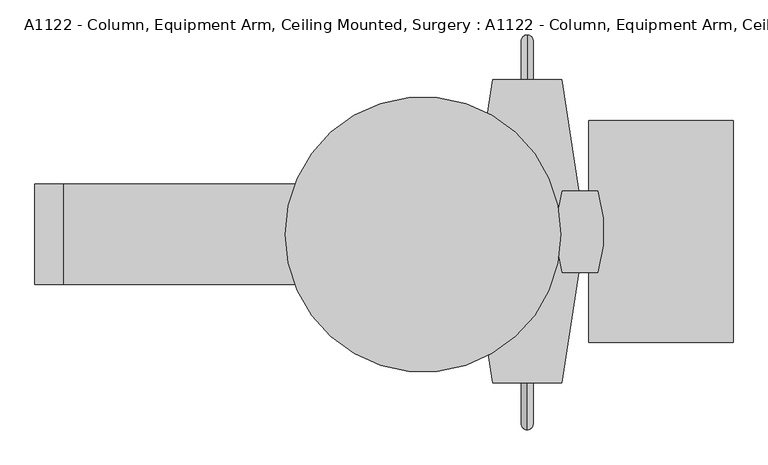
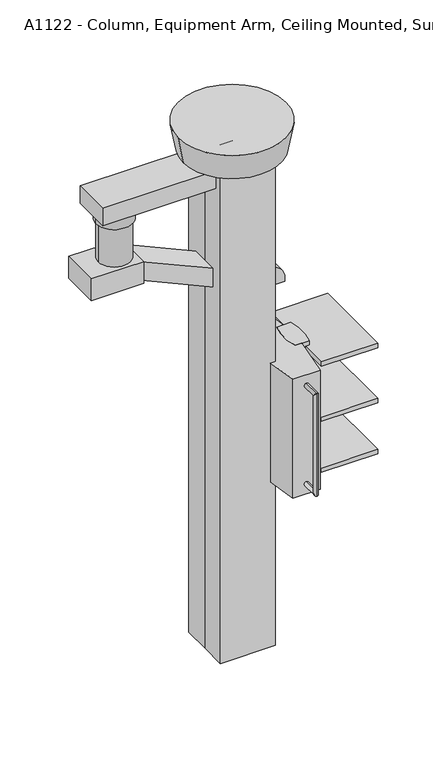
"""IFC4 building model written with IfcOpenShell, lengths in millimetres: proxy geometry, A1122 - Column, Equipment Arm, Ceiling Mounted, Surgery : A1122 - Column, Equipment Arm, Ceiling Mounted, Surgery."""

from ifc_helpers import new_model, si_unit, point, frame, frame_2d, origin, origin_2d, place, context, project, spatial, polyline, circle_curve, ellipse_curve, trimmed, segment, composite_curve, outline, extrude, source, transform, mapped, element, save
from ifc_brep_helpers import plane_surface, cylinder_surface, revolved_surface, advanced_brep


def a1122_column_equipment_arm_ceiling_mounted_surgery_a1122_2e717ac6(model_context):
    return source(origin(), model_context, "Body", "SolidModel", [
        advanced_brep(
        [(226.5729176, 332.7689207, 1898.9126507), (226.5729176, 332.7689207, 1924.3126507), (226.5729176, 434.3689207, 1924.3126507), (226.5729176, 408.9689207, 1898.9126507), (226.5729176, 434.3689207, 1321.0626507), (226.5729176, 408.9689207, 1346.4626507), (226.5729176, 332.7689207, 1346.4626507), (226.5729176, 332.7689207, 1321.0626507)],
        [
            (0, 1, circle_curve(frame((226.5729176, 332.7689207, 1911.6126507), z_axis=(0.0, -1.0, 0.0), x_axis=(0.0, 0.0, 1.0)), 12.7)),
            (1, 0, circle_curve(frame((226.5729176, 332.7689207, 1911.6126507), z_axis=(0.0, -1.0, 0.0), x_axis=(0.0, 0.0, 1.0)), 12.7)),
            (1, 2),
            (2, 3, ellipse_curve(frame((226.5729176, 421.6689207, 1911.6126507), z_axis=(0.0, -0.7071067811865475, 0.7071067811865475), x_axis=(0.0, -0.7071067811865476, -0.7071067811865474)), 17.9605122, 12.7)),
            (3, 0),
            (3, 2, ellipse_curve(frame((226.5729176, 421.6689207, 1911.6126507), z_axis=(0.0, -0.7071067811865475, 0.7071067811865475), x_axis=(0.0, -0.7071067811865476, -0.7071067811865474)), 17.9605122, 12.7)),
            (2, 4),
            (4, 5, ellipse_curve(frame((226.5729176, 421.6689207, 1333.7626507), z_axis=(0.0, 0.7071067811865475, 0.7071067811865475), x_axis=(0.0, -0.7071067811865474, 0.7071067811865476)), 17.9605122, 12.7)),
            (5, 3),
            (5, 4, ellipse_curve(frame((226.5729176, 421.6689207, 1333.7626507), z_axis=(0.0, 0.7071067811865475, 0.7071067811865475), x_axis=(0.0, -0.7071067811865474, 0.7071067811865476)), 17.9605122, 12.7)),
            (6, 7, circle_curve(frame((226.5729176, 332.7689207, 1333.7626507), z_axis=(0.0, -1.0, 0.0), x_axis=(0.0, 0.0, -1.0)), 12.7)),
            (7, 6, circle_curve(frame((226.5729176, 332.7689207, 1333.7626507), z_axis=(0.0, -1.0, 0.0), x_axis=(0.0, 0.0, -1.0)), 12.7)),
            (4, 7),
            (6, 5),
        ],
        [
            plane_surface(frame((2193.5406963, 332.7689207, 1911.6126507), z_axis=(0.0, -1.0, 0.0), x_axis=(1.0, 0.0, 0.0))),
            cylinder_surface(frame((226.5729176, 332.7689207, 1911.6126507), z_axis=(0.0, -1.0, 0.0), x_axis=(0.0, 0.0, 1.0)), 12.7),
            cylinder_surface(frame((226.5729176, 421.6689207, 1911.6126507), z_axis=(0.0, 0.0, 1.0), x_axis=(0.0, 1.0, 0.0)), 12.7),
            plane_surface(frame((2193.5406963, 332.7689207, 1333.7626507), z_axis=(0.0, -1.0, 0.0), x_axis=(1.0, 0.0, 0.0))),
            cylinder_surface(frame((226.5729176, 421.6689207, 1333.7626507), z_axis=(0.0, 1.0, 0.0), x_axis=(0.0, 0.0, -1.0)), 12.7),
        ],
        [
            (0, [[1, 2]]),
            (1, [[-2, 3, 4, 5]]),
            (1, [[-1, -5, 6, -3]]),
            (2, [[-4, 7, 8, 9]]),
            (2, [[-6, -9, 10, -7]]),
            (3, [[11, 12]]),
            (4, [[-8, 13, -11, 14]]),
            (4, [[-10, -14, -12, -13]]),
        ],
    ),
        advanced_brep(
        [(226.5729176, -323.7089058, 1924.3126507), (226.5729176, -323.7089058, 1898.9126507), (226.5729176, -425.3089058, 1924.3126507), (226.5729176, -399.9089058, 1898.9126507), (226.5729176, -425.3089058, 1321.0626507), (226.5729176, -399.9089058, 1346.4626507), (226.5729176, -323.7089058, 1321.0626507), (226.5729176, -323.7089058, 1346.4626507)],
        [
            (0, 1, circle_curve(frame((226.5729176, -323.7089058, 1911.6126507), z_axis=(0.0, 1.0, 0.0), x_axis=(0.0, 0.0, -1.0)), 12.7)),
            (1, 0, circle_curve(frame((226.5729176, -323.7089058, 1911.6126507), z_axis=(0.0, 1.0, 0.0), x_axis=(0.0, 0.0, -1.0)), 12.7)),
            (0, 2),
            (2, 3, ellipse_curve(frame((226.5729176, -412.6089058, 1911.6126507), z_axis=(0.0, 0.7071067811865475, 0.7071067811865475), x_axis=(0.0, 0.7071067811865476, -0.7071067811865474)), 17.9605122, 12.7)),
            (3, 1),
            (3, 2, ellipse_curve(frame((226.5729176, -412.6089058, 1911.6126507), z_axis=(0.0, 0.7071067811865475, 0.7071067811865475), x_axis=(0.0, 0.7071067811865476, -0.7071067811865474)), 17.9605122, 12.7)),
            (2, 4),
            (4, 5, ellipse_curve(frame((226.5729176, -412.6089058, 1333.7626507), z_axis=(0.0, -0.7071067811865475, 0.7071067811865475), x_axis=(0.0, 0.7071067811865474, 0.7071067811865476)), 17.9605122, 12.7)),
            (5, 3),
            (5, 4, ellipse_curve(frame((226.5729176, -412.6089058, 1333.7626507), z_axis=(0.0, -0.7071067811865475, 0.7071067811865475), x_axis=(0.0, 0.7071067811865474, 0.7071067811865476)), 17.9605122, 12.7)),
            (6, 7, circle_curve(frame((226.5729176, -323.7089058, 1333.7626507), z_axis=(0.0, 1.0, 0.0), x_axis=(0.0, 0.0, 1.0)), 12.7)),
            (7, 6, circle_curve(frame((226.5729176, -323.7089058, 1333.7626507), z_axis=(0.0, 1.0, 0.0), x_axis=(0.0, 0.0, 1.0)), 12.7)),
            (4, 6),
            (7, 5),
        ],
        [
            plane_surface(frame((2193.5406963, -323.7089058, 1911.6126507), z_axis=(0.0, 1.0, 0.0), x_axis=(1.0, 0.0, 0.0))),
            cylinder_surface(frame((226.5729176, -323.7089058, 1911.6126507), z_axis=(0.0, 1.0, 0.0), x_axis=(0.0, 0.0, -1.0)), 12.7),
            cylinder_surface(frame((226.5729176, -412.6089058, 1911.6126507), z_axis=(0.0, 0.0, 1.0), x_axis=(0.0, 1.0, 0.0)), 12.7),
            plane_surface(frame((2193.5406963, -323.7089058, 1333.7626507), z_axis=(0.0, 1.0, 0.0), x_axis=(1.0, 0.0, 0.0))),
            cylinder_surface(frame((226.5729176, -412.6089058, 1333.7626507), z_axis=(0.0, -1.0, 0.0), x_axis=(0.0, 0.0, 1.0)), 12.7),
        ],
        [
            (0, [[1, 2]]),
            (1, [[-1, 3, 4, 5]]),
            (1, [[-2, -5, 6, -3]]),
            (2, [[-4, 7, 8, 9]]),
            (2, [[-6, -9, 10, -7]]),
            (3, [[11, 12]]),
            (4, [[-8, 13, -12, 14]]),
            (4, [[-10, -14, -11, -13]]),
        ],
    ),
        extrude(outline(polyline([(674.5317788, 247.7910942), (674.5317788, -234.8089058), (360.9751354, -234.8089058), (360.9751354, 247.7910942), (674.5317788, 247.7910942)])), frame((0.0, 0.0, 1298.5413128), z_axis=(0.0, 0.0, 1.0), x_axis=(1.0, 0.0, 0.0)), (0.0, 0.0, 1.0), 25.4),
        extrude(outline(polyline([(674.5317788, 247.7910942), (674.5317788, -234.8089058), (360.9751354, -234.8089058), (360.9751354, 247.7910942), (674.5317788, 247.7910942)])), frame((0.0, 0.0, 1597.981208), z_axis=(0.0, 0.0, 1.0), x_axis=(1.0, 0.0, 0.0)), (0.0, 0.0, 1.0), 25.4),
        extrude(outline(polyline([(674.5317788, 247.7910942), (674.5317788, -234.8089058), (360.9751354, -234.8089058), (360.9751354, 247.7910942), (674.5317788, 247.7910942)])), frame((0.0, 0.0, 1921.679066), z_axis=(0.0, 0.0, 1.0), x_axis=(1.0, 0.0, 0.0)), (0.0, 0.0, 1.0), 25.4),
        extrude(outline(composite_curve([segment(trimmed(circle_curve(frame_2d((95.2434752, 6.1610691)), 298.1785194), [point((380.0167911, 94.5612276))], [point((379.8878791, -82.6533035))], False, "CARTESIAN"), True, "CONTINUOUS"), segment(polyline([(379.8878791, -82.6533035), (302.91217, -82.6533035)]), True, "CONTINUOUS"), segment(trimmed(circle_curve(frame_2d((587.5565739, 6.1610691)), 298.1785194), [point((302.91217, -82.6533035))], [point((302.783258, 94.5612276))], False, "CARTESIAN"), True, "CONTINUOUS"), segment(polyline([(302.783258, 94.5612276), (380.0167911, 94.5612276)]), True, "CONTINUOUS")], self_intersect=False)), frame((0.0, 0.0, 1241.1912634), z_axis=(0.0, 0.0, 1.0), x_axis=(1.0, 0.0, 0.0)), (0.0, 0.0, 1.0), 731.4878521),
        extrude(outline(composite_curve([segment(trimmed(circle_curve(frame_2d((-138.8445936, 6.4910942)), 298.2153609), [point((145.8116754, 95.3910942))], [point((145.8116754, -82.4089058))], False, "CARTESIAN"), True, "CONTINUOUS"), segment(polyline([(145.8116754, -82.4089058), (69.0938349, -82.4089058)]), True, "CONTINUOUS"), segment(trimmed(circle_curve(frame_2d((353.750104, 6.4910942)), 298.2153609), [point((69.0938349, -82.4089058))], [point((69.0938349, 95.3910942))], False, "CARTESIAN"), True, "CONTINUOUS"), segment(polyline([(69.0938349, 95.3910942), (145.8116754, 95.3910942)]), True, "CONTINUOUS")], self_intersect=False)), frame((0.0, 0.0, 1275.189926), z_axis=(0.0, 0.0, 1.0), x_axis=(1.0, 0.0, 0.0)), (0.0, 0.0, 1.0), 697.4891895),
        extrude(outline(composite_curve([segment(trimmed(circle_curve(frame_2d((-1061.0737086, 6.4909157)), 1402.4737332), [point((301.9744983, 336.6910942))], [point((338.6320435, 94.5612276))], False, "CARTESIAN"), True, "CONTINUOUS"), segment(polyline([(338.6320435, 94.5612276), (302.783258, 94.5612276)]), True, "CONTINUOUS"), segment(trimmed(circle_curve(frame_2d((591.1885644, 6.0761609)), 301.6740422), [point((302.783258, 94.5612276))], [point((302.783258, -82.4089058))], True, "CARTESIAN"), True, "CONTINUOUS"), segment(polyline([(302.783258, -82.4089058), (338.5796035, -82.4089058)]), True, "CONTINUOUS"), segment(trimmed(circle_curve(frame_2d((-1061.0737086, 6.4909157)), 1402.4737332), [point((338.5796035, -82.4089058))], [point((301.9745848, -323.7089058))], False, "CARTESIAN"), True, "CONTINUOUS"), segment(polyline([(301.9745848, -323.7089058), (151.1712503, -323.7089058)]), True, "CONTINUOUS"), segment(trimmed(circle_curve(frame_2d((1514.2195005, 6.4910942)), 1402.4737332), [point((151.1712503, -323.7089058))], [point((114.5661998, -82.4089058))], False, "CARTESIAN"), True, "CONTINUOUS"), segment(polyline([(114.5661998, -82.4089058), (145.8116754, -82.4089058)]), True, "CONTINUOUS"), segment(trimmed(circle_curve(frame_2d((-138.8445936, 6.4910942)), 298.2153609), [point((145.8116754, -82.4089058))], [point((145.8116754, 95.3910942))], True, "CARTESIAN"), True, "CONTINUOUS"), segment(polyline([(145.8116754, 95.3910942), (114.5661998, 95.3910942)]), True, "CONTINUOUS"), segment(trimmed(circle_curve(frame_2d((1514.2195005, 6.4910942)), 1402.4737332), [point((114.5661998, 95.3910942))], [point((151.1712503, 336.6910942))], False, "CARTESIAN"), True, "CONTINUOUS"), segment(polyline([(151.1712503, 336.6910942), (301.9744983, 336.6910942)]), True, "CONTINUOUS")], self_intersect=False)), frame((0.0, 0.0, 1275.189926), z_axis=(0.0, 0.0, 1.0), x_axis=(1.0, 0.0, 0.0)), (0.0, 0.0, 1.0), 697.4891895),
        extrude(outline(composite_curve([segment(polyline([(2501.7541565, 31.5013454), (2390.8610353, 31.5013454), (2390.8610353, 228.8790611)]), True, "CONTINUOUS"), segment(trimmed(circle_curve(frame_2d((2407.584401, 136.1601583)), 94.2149983), [point((2390.8610353, 228.8790611))], [point((2501.7541565, 139.0795821))], False, "CARTESIAN"), True, "CONTINUOUS"), segment(polyline([(2501.7541565, 139.0795821), (2501.7541565, 31.5013454)]), True, "CONTINUOUS")], self_intersect=False)), frame((0.0, -109.22, 0.0), z_axis=(0.0, 1.0, 0.0), x_axis=(0.0, 0.0, 1.0)), (0.0, 0.0, 1.0), 218.44),
        extrude(outline(composite_curve([segment(trimmed(circle_curve(frame_2d((131.3229176, 4.5300075)), 76.2), [point((207.5229176, 4.5300075))], [point((55.1229176, 4.5300075))], False, "CARTESIAN"), True, "CONTINUOUS"), segment(trimmed(circle_curve(frame_2d((131.3229176, 4.5300075)), 76.2), [point((55.1229176, 4.5300075))], [point((207.5229176, 4.5300075))], False, "CARTESIAN"), True, "CONTINUOUS")], self_intersect=False)), frame((0.0, 0.0, 1972.6791155), z_axis=(0.0, 0.0, 1.0), x_axis=(1.0, 0.0, 0.0)), (0.0, 0.0, 1.0), 357.2218665),
        extrude(outline(composite_curve([segment(trimmed(circle_curve(frame_2d((130.1902032, 0.0)), 88.9), [point((219.0902032, 0.0))], [point((41.2902032, 0.0))], False, "CARTESIAN"), True, "CONTINUOUS"), segment(trimmed(circle_curve(frame_2d((130.1902032, 0.0)), 88.9), [point((41.2902032, 0.0))], [point((219.0902032, 0.0))], False, "CARTESIAN"), True, "CONTINUOUS")], self_intersect=False)), frame((0.0, 0.0, 2329.900982), z_axis=(0.0, 0.0, 1.0), x_axis=(1.0, 0.0, 0.0)), (0.0, 0.0, 1.0), 60.96),
        extrude(outline(polyline([(2501.7541565, 31.5013454), (2764.8962666, -553.3798839), (2653.4870493, -553.3798839), (2390.3449392, 31.5013454), (2501.7541565, 31.5013454)])), frame((0.0, -82.4089058, 0.0), z_axis=(0.0, 1.0, 0.0), x_axis=(0.0, 0.0, 1.0)), (0.0, 0.0, 1.0), 169.1778525),
        advanced_brep(
        [(-844.55, 109.22, 2780.4870493), (-553.3798839, 109.22, 2780.4870493), (-553.3798839, 109.22, 2653.4870493), (-844.55, 109.22, 2653.4870493), (-844.55, -109.22, 2780.4870493), (-844.55, -109.22, 2653.4870493), (-553.3798839, -109.22, 2653.4870493), (-553.3798839, -109.22, 2780.4870493), (-743.8798839, 0.0, 2780.4870493), (-566.0798839, 0.0, 2780.4870493), (-566.0798839, 0.0, 3009.0870493), (-743.8798839, 0.0, 3009.0870493), (-553.3798839, 0.0, 3009.0870493), (-756.5798839, 0.0, 3009.0870493), (-756.5798839, 0.0, 3070.0470493), (-553.3798839, 0.0, 3070.0470493), (119.38, 109.22, 3172.46), (-781.2986546, 109.22, 3172.46), (-781.2986546, -109.22, 3172.46), (119.38, -109.22, 3172.46), (119.38, 109.22, 3070.0470493), (119.38, -109.22, 3070.0470493), (-781.2986546, -109.22, 3070.0470493), (-781.2986546, 109.22, 3070.0470493)],
        [
            (0, 1),
            (1, 2),
            (2, 3),
            (3, 0),
            (4, 5),
            (5, 6),
            (6, 7),
            (7, 4),
            (0, 4),
            (7, 1),
            (8, 9, circle_curve(frame((-654.9798839, 0.0, 2780.4870493), z_axis=(0.0, 0.0, -1.0), x_axis=(-1.0, 0.0, 0.0)), 88.9)),
            (9, 8, circle_curve(frame((-654.9798839, 0.0, 2780.4870493), z_axis=(0.0, 0.0, -1.0), x_axis=(-1.0, 0.0, 0.0)), 88.9)),
            (6, 2),
            (5, 3),
            (10, 9),
            (8, 11),
            (11, 10, circle_curve(frame((-654.9798839, 0.0, 3009.0870493), z_axis=(0.0, 0.0, -1.0), x_axis=(-1.0, 0.0, 0.0)), 88.9)),
            (10, 11, circle_curve(frame((-654.9798839, 0.0, 3009.0870493), z_axis=(0.0, 0.0, -1.0), x_axis=(-1.0, 0.0, 0.0)), 88.9)),
            (12, 13, circle_curve(frame((-654.9798839, 0.0, 3009.0870493), z_axis=(0.0, 0.0, -1.0), x_axis=(-1.0, 0.0, 0.0)), 101.6)),
            (13, 12, circle_curve(frame((-654.9798839, 0.0, 3009.0870493), z_axis=(0.0, 0.0, -1.0), x_axis=(-1.0, 0.0, 0.0)), 101.6)),
            (13, 14),
            (14, 15, circle_curve(frame((-654.9798839, 0.0, 3070.0470493), z_axis=(0.0, 0.0, -1.0), x_axis=(-1.0, 0.0, 0.0)), 101.6)),
            (15, 12),
            (15, 14, circle_curve(frame((-654.9798839, 0.0, 3070.0470493), z_axis=(0.0, 0.0, -1.0), x_axis=(-1.0, 0.0, 0.0)), 101.6)),
            (16, 17),
            (17, 18),
            (18, 19),
            (19, 16),
            (20, 21),
            (21, 22),
            (22, 23),
            (23, 20),
            (16, 20),
            (23, 17),
            (22, 18),
            (21, 19),
        ],
        [
            plane_surface(frame((-553.3798839, 109.22, 2780.4870493), z_axis=(0.0, 1.0, 0.0), x_axis=(1.0, 0.0, 0.0))),
            plane_surface(frame((-553.3798839, -109.22, 2780.4870493), z_axis=(0.0, -1.0, 0.0), x_axis=(-1.0, 0.0, 0.0))),
            plane_surface(frame((-844.55, 109.22, 2780.4870493), z_axis=(0.0, 0.0, 1.0), x_axis=(0.0, -1.0, 0.0))),
            plane_surface(frame((-553.3798839, 109.22, 2780.4870493), z_axis=(1.0, 0.0, 0.0), x_axis=(0.0, -1.0, 0.0))),
            plane_surface(frame((-553.3798839, 109.22, 2653.4870493), z_axis=(0.0, 0.0, -1.0), x_axis=(0.0, -1.0, 0.0))),
            plane_surface(frame((-844.55, 109.22, 2653.4870493), z_axis=(-1.0, 0.0, 0.0), x_axis=(0.0, -1.0, 0.0))),
            cylinder_surface(frame((-654.9798839, 0.0, 2780.4870493), z_axis=(0.0, 0.0, 1.0), x_axis=(-1.0, 0.0, 0.0)), 88.9),
            plane_surface(frame((-756.5798839, 0.0, 3009.0870493), z_axis=(0.0, 0.0, -1.0), x_axis=(0.0, 1.0, 0.0))),
            cylinder_surface(frame((-654.9798839, 0.0, 3009.0870493), z_axis=(0.0, 0.0, 1.0), x_axis=(-1.0, 0.0, 0.0)), 101.6),
            plane_surface(frame((-1120.14, 109.22, 3172.46), z_axis=(0.0, 0.0, 1.0), x_axis=(-1.0, 0.0, 0.0))),
            plane_surface(frame((-1120.14, 109.22, 3070.0470493), z_axis=(0.0, 0.0, -1.0), x_axis=(1.0, 0.0, 0.0))),
            plane_surface(frame((119.38, 109.22, 3172.46), z_axis=(0.0, 1.0, 0.0), x_axis=(0.0, 0.0, -1.0))),
            plane_surface(frame((-781.2986546, 109.22, 3172.46), z_axis=(-1.0, 0.0, 0.0), x_axis=(0.0, 0.0, -1.0))),
            plane_surface(frame((-781.2986546, -109.22, 3172.46), z_axis=(0.0, -1.0, 0.0), x_axis=(0.0, 0.0, -1.0))),
            plane_surface(frame((119.38, -109.22, 3172.46), z_axis=(1.0, 0.0, 0.0), x_axis=(0.0, 0.0, -1.0))),
        ],
        [
            (0, [[1, 2, 3, 4]]),
            (1, [[5, 6, 7, 8]]),
            (2, [[-1, 9, -8, 10], [11, 12]]),
            (3, [[-2, -10, -7, 13]]),
            (4, [[-3, -13, -6, 14]]),
            (5, [[-4, -14, -5, -9]]),
            (6, [[15, -11, 16, 17]]),
            (6, [[-15, 18, -16, -12]]),
            (7, [[19, 20], [-17, -18]]),
            (8, [[-20, 21, 22, 23]]),
            (8, [[-19, -23, 24, -21]]),
            (9, [[25, 26, 27, 28]]),
            (10, [[29, 30, 31, 32], [-22, -24]]),
            (11, [[-25, 33, -32, 34]]),
            (12, [[-26, -34, -31, 35]]),
            (13, [[-27, -35, -30, 36]]),
            (14, [[-28, -36, -29, -33]]),
        ],
    ),
        extrude(outline(composite_curve([segment(trimmed(circle_curve(origin_2d(), 86.36), [point((86.36, 0.0))], [point((-86.36, 0.0))], False, "CARTESIAN"), True, "CONTINUOUS"), segment(trimmed(circle_curve(origin_2d(), 86.36), [point((-86.36, 0.0))], [point((86.36, 0.0))], False, "CARTESIAN"), True, "CONTINUOUS")], self_intersect=False)), frame((0.0, 0.0, 3127.4742111), z_axis=(0.0, 0.0, 1.0), x_axis=(1.0, 0.0, 0.0)), (0.0, 0.0, 1.0), 70.3857889),
        advanced_brep(
        [(-299.72, 0.0, 3352.8), (299.72, 0.0, 3352.8), (-271.78, 0.0, 3197.86), (271.78, 0.0, 3197.86)],
        [
            (0, 1, circle_curve(frame((0.0, 0.0, 3352.8), z_axis=(0.0, 0.0, 1.0), x_axis=(-1.0, 0.0, 0.0)), 299.72)),
            (1, 0, circle_curve(frame((0.0, 0.0, 3352.8), z_axis=(0.0, 0.0, 1.0), x_axis=(1.0, 0.0, 0.0)), 299.72)),
            (2, 3, circle_curve(frame((0.0, 0.0, 3197.86), z_axis=(0.0, 0.0, -1.0), x_axis=(1.0, 0.0, 0.0)), 271.78)),
            (3, 2, circle_curve(frame((0.0, 0.0, 3197.86), z_axis=(0.0, 0.0, -1.0), x_axis=(-1.0, 0.0, 0.0)), 271.78)),
            (3, 1),
            (0, 2),
        ],
        [
            plane_surface(frame((0.0, 0.0, 3352.8), z_axis=(0.0, 0.0, 1.0), x_axis=(0.0, -1.0, 0.0))),
            plane_surface(frame((0.0, 0.0, 3197.86), z_axis=(0.0, 0.0, -1.0), x_axis=(0.0, -1.0, 0.0))),
            revolved_surface(polyline([(271.7800000006113, 0.0, 3197.86), (299.72, 0.0, 3352.8)]), (0.0, 0.0, 1690.7163636), (0.0, 0.0, 1.0)),
            revolved_surface(polyline([(-271.7800000006113, 0.0, 3197.86), (-299.72, 0.0, 3352.8)]), (0.0, 0.0, 1690.7163636), (0.0, 0.0, 1.0)),
        ],
        [
            (0, [[1, 2]]),
            (1, [[3, 4]]),
            (2, [[-4, 5, -1, 6]]),
            (3, [[-3, -6, -2, -5]]),
        ],
    ),
        extrude(outline(polyline([(-152.4, 152.4), (152.4, 152.4), (152.4, -152.4), (-152.4, -152.4), (-152.4, 0.0), (-152.4, 152.4)])), frame((0.0, 0.0, 304.8), z_axis=(0.0, 0.0, 1.0), x_axis=(1.0, 0.0, 0.0)), (0.0, 0.0, 1.0), 3048.0),
    ])


if __name__ == "__main__":
    model = new_model("IFC4")
    model_context = context("Model", 3, world=origin())
    ifc_project = project(units=[si_unit("LENGTHUNIT", "METRE", prefix="MILLI")], contexts=[model_context])
    site = spatial("IfcSite", under=ifc_project)
    building = spatial("IfcBuilding", under=site)
    placement = place(None, origin())
    a1122_column_equipment_arm_ceiling_mounted_surgery_a1122_shape = a1122_column_equipment_arm_ceiling_mounted_surgery_a1122_2e717ac6(model_context)
    element("IfcBuildingElementProxy", 1, Name="A1122 - Column, Equipment Arm, Ceiling Mounted, Surgery : A1122 - Column, Equipment Arm, Ceiling Mounted, Surgery", ObjectType="A1122 - Column, Equipment Arm, Ceiling Mounted, Surgery : A1122 - Column, Equipment Arm, Ceiling Mounted, Surgery", at=placement, inside=building, context=model_context, shape_type="MappedRepresentation", body=[
        mapped(a1122_column_equipment_arm_ceiling_mounted_surgery_a1122_shape, transform((0.0, 0.0, 0.0), x_axis=(1.0, 0.0, 0.0), y_axis=(0.0, 1.0, 0.0), z_axis=(0.0, 0.0, 1.0))),
    ])
    save(model, "model.ifc")
